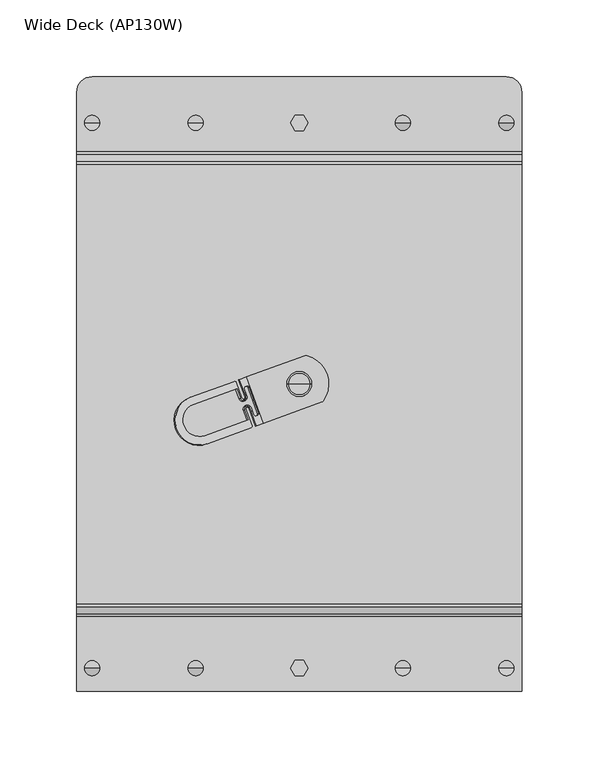
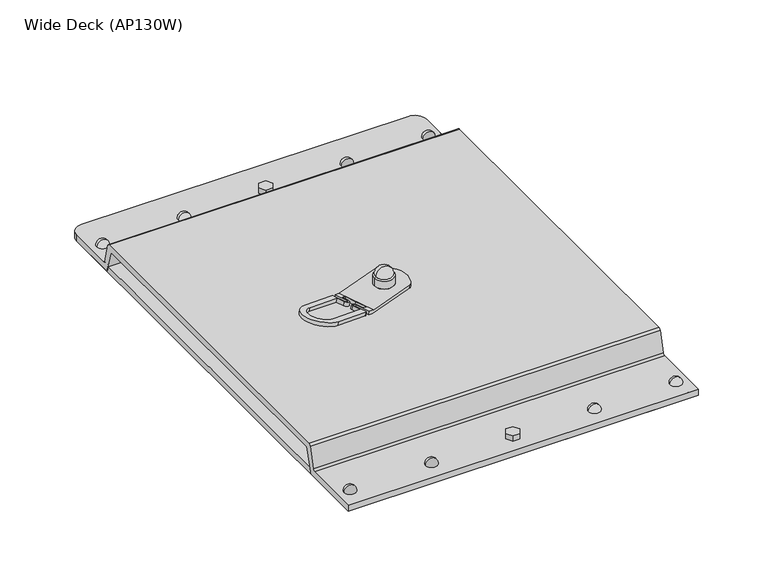
"""IFC4 building model written with IfcOpenShell, lengths in millimetres: proxy geometry, Wide Deck (AP130W)."""

import ifcopenshell
import ifcopenshell.guid

model = None  # the IFC model being written
_history = None  # IfcOwnerHistory: only IFC2X3 demands one
_inside = {}  # id of a spatial element -> (the spatial element, [elements in it])
_under = {}  # id of a project, library or spatial element -> (it, [spatial elements below it])
_declared = {}  # id of a project -> (the project, [libraries it declares])
_typed = {}  # id of a type object -> (the type object, [elements of that type])
_made_of = {}  # id of a material, layer set ... -> (it, [elements and type objects made of it])


def new_model(schema):
    """Start an empty IFC model of exactly this schema.

    Asked for "IFC4X3", IfcOpenShell would pick the latest addendum, in which some entities
    have other attributes; the version numbers below select the first issue.
    IFC2X3 requires an IfcOwnerHistory on every rooted entity: one is made here for all.
    """
    global model, _history
    if schema == "IFC4X3":
        model = ifcopenshell.file(schema_version=(4, 3, 0, 0))
    else:
        model = ifcopenshell.file(schema=schema)
    _inside.clear()
    _under.clear()
    _declared.clear()
    _typed.clear()
    _made_of.clear()
    _history = None
    if model.schema == "IFC2X3":
        org = make("IfcOrganization", Name="unknown")
        user = make(
            "IfcPersonAndOrganization",
            ThePerson=make("IfcPerson", FamilyName="unknown"),
            TheOrganization=org,
        )
        app = make(
            "IfcApplication",
            ApplicationDeveloper=org,
            Version="unknown",
            ApplicationFullName="unknown",
            ApplicationIdentifier="unknown",
        )
        _history = make(
            "IfcOwnerHistory",
            OwningUser=user,
            OwningApplication=app,
            ChangeAction="ADDED",
            CreationDate=0,
        )
    return model


def make(cls, **values):
    """One entity of the class cls with the attributes given. An attribute that is None is left unset."""
    return model.create_entity(
        cls, **{name: value for name, value in values.items() if value is not None}
    )


def rooted(cls, **values):
    """An entity with a GlobalId (a new one), such as an element, a storey or a relation."""
    return make(cls, GlobalId=ifcopenshell.guid.new(), OwnerHistory=_history, **values)


def si_unit(unit_type, name, prefix=None):
    """IfcSIUnit, for example si_unit("LENGTHUNIT", "METRE", prefix="MILLI")."""
    return make("IfcSIUnit", UnitType=unit_type, Prefix=prefix, Name=name)


def assignment(units):
    """IfcUnitAssignment: the units of a project."""
    return None if units is None else make("IfcUnitAssignment", Units=units)


def point(xyz):
    """IfcCartesianPoint."""
    return None if xyz is None else make("IfcCartesianPoint", Coordinates=xyz)


def direction(xyz):
    """IfcDirection."""
    return None if xyz is None else make("IfcDirection", DirectionRatios=xyz)


def frame(location, z_axis=None, x_axis=None):
    """IfcAxis2Placement3D, a coordinate frame: its origin and axes. An axis left out is left unset."""
    return make(
        "IfcAxis2Placement3D",
        Location=point(location),
        Axis=direction(z_axis),
        RefDirection=direction(x_axis),
    )


def frame_2d(location, x_axis=None):
    """IfcAxis2Placement2D, a coordinate frame in the plane: its origin and x axis."""
    return make(
        "IfcAxis2Placement2D", Location=point(location), RefDirection=direction(x_axis)
    )


def origin():
    """The frame at (0, 0, 0) with its axes left unset."""
    return frame((0.0, 0.0, 0.0))


def origin_with_axes():
    """The frame at (0, 0, 0) with the z axis (0, 0, 1) and the x axis (1, 0, 0) written out."""
    return frame((0.0, 0.0, 0.0), z_axis=(0.0, 0.0, 1.0), x_axis=(1.0, 0.0, 0.0))


def place(relative_to, where):
    """IfcLocalPlacement: puts the frame where relative to a parent placement (None: the world)."""
    return make(
        "IfcLocalPlacement", PlacementRelTo=relative_to, RelativePlacement=where
    )


def context(
    kind, dimensions, precision=None, world=None, true_north=None, identifier=None
):
    """IfcGeometricRepresentationContext, for example the 3D "Model" context."""
    return make(
        "IfcGeometricRepresentationContext",
        ContextIdentifier=identifier,
        ContextType=kind,
        CoordinateSpaceDimension=dimensions,
        Precision=precision,
        WorldCoordinateSystem=world,
        TrueNorth=true_north,
    )


def project(units=None, contexts=None):
    """IfcProject with its units and contexts."""
    return rooted(
        "IfcProject",
        Name="project",
        RepresentationContexts=contexts,
        UnitsInContext=assignment(units),
    )


def spatial(cls, under=None, at=None, **own):
    """A site, building, storey or space (cls), placed at a placement, below another one or the project."""
    s = rooted(cls, ObjectPlacement=at, **own)
    if under is not None:
        _under.setdefault(under.id(), (under, []))[1].append(s)
    return s


def polyline(points):
    """IfcPolyline through the points."""
    return make("IfcPolyline", Points=[point(p) for p in points])


def circle_curve(where, radius):
    """IfcCircle in the frame where."""
    return make("IfcCircle", Position=where, Radius=radius)


def ellipse_curve(where, semi_axis1, semi_axis2):
    """IfcEllipse in the frame where."""
    return make(
        "IfcEllipse", Position=where, SemiAxis1=semi_axis1, SemiAxis2=semi_axis2
    )


def trimmed(basis, trim1, trim2, sense, master):
    """IfcTrimmedCurve: the piece of a basis curve between two trims."""
    return make(
        "IfcTrimmedCurve",
        BasisCurve=basis,
        Trim1=trim1,
        Trim2=trim2,
        SenseAgreement=sense,
        MasterRepresentation=master,
    )


def segment(curve, same_sense, transition):
    """IfcCompositeCurveSegment."""
    return make(
        "IfcCompositeCurveSegment",
        Transition=transition,
        SameSense=same_sense,
        ParentCurve=curve,
    )


def composite_curve(segments, self_intersect=None):
    """IfcCompositeCurve: segments joined end to end."""
    return make("IfcCompositeCurve", Segments=segments, SelfIntersect=self_intersect)


def outline(outer, holes=None, kind="AREA"):
    """IfcArbitraryClosedProfileDef: a profile drawn as a closed curve; with holes, ...WithVoids."""
    if holes is None:
        return make("IfcArbitraryClosedProfileDef", ProfileType=kind, OuterCurve=outer)
    return make(
        "IfcArbitraryProfileDefWithVoids",
        ProfileType=kind,
        OuterCurve=outer,
        InnerCurves=holes,
    )


def extrude(swept, where, along, depth):
    """IfcExtrudedAreaSolid: the profile swept, set in the frame where, extruded along a direction by depth."""
    return make(
        "IfcExtrudedAreaSolid",
        SweptArea=swept,
        Position=where,
        ExtrudedDirection=direction(along),
        Depth=depth,
    )


def shape(context_of_items, identifier, shape_type, items):
    """IfcShapeRepresentation: the items that make up one representation, for example the "Body"."""
    return make(
        "IfcShapeRepresentation",
        ContextOfItems=context_of_items,
        RepresentationIdentifier=identifier,
        RepresentationType=shape_type,
        Items=items,
    )


def source(mapping_origin, context_of_items, identifier, shape_type, items):
    """IfcRepresentationMap: a shape defined once, which mapped items show again and again."""
    return make(
        "IfcRepresentationMap",
        MappingOrigin=mapping_origin,
        MappedRepresentation=shape(context_of_items, identifier, shape_type, items),
    )


def transform(
    local_origin,
    x_axis=None,
    y_axis=None,
    z_axis=None,
    scale=None,
    scale2=None,
    scale3=None,
    uniform=True,
):
    """IfcCartesianTransformationOperator3D, or its non-uniform kind. x_axis, y_axis, z_axis: its Axis1, 2, 3."""
    if uniform:
        return make(
            "IfcCartesianTransformationOperator3D",
            Axis1=direction(x_axis),
            Axis2=direction(y_axis),
            LocalOrigin=point(local_origin),
            Scale=scale,
            Axis3=direction(z_axis),
        )
    return make(
        "IfcCartesianTransformationOperator3DnonUniform",
        Axis1=direction(x_axis),
        Axis2=direction(y_axis),
        LocalOrigin=point(local_origin),
        Scale=scale,
        Axis3=direction(z_axis),
        Scale2=scale2,
        Scale3=scale3,
    )


def mapped(mapping_source, mapping_target):
    """IfcMappedItem: shows the shape of a source again, moved by a transform."""
    return make(
        "IfcMappedItem", MappingSource=mapping_source, MappingTarget=mapping_target
    )


def made_of(thing, what):
    """Note that an element or type object is made of a material, layer set ...; save() writes the relation."""
    if what is not None:
        _made_of.setdefault(what.id(), (what, []))[1].append(thing)
    return thing


def element(
    cls,
    number,
    at=None,
    inside=None,
    cuts=None,
    type_object=None,
    material=None,
    context=None,
    identifier="Body",
    shape_type=None,
    held_by="IfcProductDefinitionShape",
    body=None,
    shapes=None,
    **own,
):
    """One element of the class cls, such as IfcWall. Its Tag is "e" and its number.

    at: its placement. inside: the storey or other place that contains it. cuts: it is an
    opening in that element (IfcRelVoidsElement). A single representation is given by context,
    identifier, shape_type and body (its items); several are given by shapes. held_by: the class
    of the entity that holds the representations. save() writes the other relations.
    """
    e = rooted(cls, Tag="e%d" % number, ObjectPlacement=at, **own)
    if body is not None:
        shapes = [shape(context, identifier, shape_type, body)]
    if shapes is not None:
        e.Representation = make(held_by, Representations=shapes)
    if inside is not None:
        _inside.setdefault(inside.id(), (inside, []))[1].append(e)
    if cuts is not None:
        rooted(
            "IfcRelVoidsElement", RelatingBuildingElement=cuts, RelatedOpeningElement=e
        )
    if type_object is not None:
        _typed.setdefault(type_object.id(), (type_object, []))[1].append(e)
    return made_of(e, material)


def aggregate(whole, parts):
    """IfcRelAggregates: a whole, such as a stair, and the parts it consists of."""
    return rooted("IfcRelAggregates", RelatingObject=whole, RelatedObjects=parts)


def save(model, path):
    """Write the relations noted so far, then the file.

    IfcRelAggregates (storeys below a building ...), IfcRelContainedInSpatialStructure (elements
    in a storey), IfcRelDefinesByType, IfcRelAssociatesMaterial and IfcRelDeclares: one each for
    every whole, place, type object, material and project.
    """
    for whole, parts in _under.values():
        aggregate(whole, parts)
    for where, things in _inside.values():
        rooted(
            "IfcRelContainedInSpatialStructure",
            RelatedElements=things,
            RelatingStructure=where,
        )
    for kind, things in _typed.values():
        rooted("IfcRelDefinesByType", RelatedObjects=things, RelatingType=kind)
    for what, things in _made_of.values():
        rooted("IfcRelAssociatesMaterial", RelatedObjects=things, RelatingMaterial=what)
    for by, libraries in _declared.values():
        rooted("IfcRelDeclares", RelatingContext=by, RelatedDefinitions=libraries)
    model.write(path)


def plane_surface(at):
    """IfcPlane: the flat surface through the origin of the frame at, square to its z axis."""
    return make("IfcPlane", Position=at)


def cylinder_surface(at, radius):
    """IfcCylindricalSurface: all points at the distance radius from the z axis of the frame at."""
    return make("IfcCylindricalSurface", Position=at, Radius=radius)


def revolved_surface(curve, axis_point, axis_direction):
    """IfcSurfaceOfRevolution: the curve turned about the line through axis_point along axis_direction."""
    return make(
        "IfcSurfaceOfRevolution",
        SweptCurve=make("IfcArbitraryOpenProfileDef", ProfileType="CURVE", Curve=curve),
        AxisPosition=make("IfcAxis1Placement", Location=point(axis_point), Axis=direction(axis_direction)),
    )


def advanced_brep(points, edges, surfaces, faces):
    """IfcAdvancedBrep: a solid bounded by faces that lie on surfaces and meet in shared edges.

    An edge is (start, end): straight between two places in points (the first is 0);
    or (start, end, curve); or (start, end, curve, False) where it runs against its curve.
    A face is (place in surfaces, loops), or (place, loops, False) where it looks against
    its surface's normal. A loop lists edges by number (the first is 1), with a minus sign
    where the edge is run from its end to its start. The first loop is the outer one.
    """
    corners = [point(p) for p in points]
    vertices = [make("IfcVertexPoint", VertexGeometry=c) for c in corners]
    made = []
    for start, end, *more in edges:
        made.append(
            make(
                "IfcEdgeCurve",
                EdgeStart=vertices[start],
                EdgeEnd=vertices[end],
                EdgeGeometry=more[0] if more else make("IfcPolyline", Points=[corners[start], corners[end]]),
                SameSense=more[1] if len(more) > 1 else True,
            )
        )
    hull = []
    for where, loops, *sense in faces:
        bounds = []
        for j, loop in enumerate(loops):
            ring = [make("IfcOrientedEdge", EdgeElement=made[abs(k) - 1], Orientation=k > 0) for k in loop]
            bounds.append(
                make(
                    "IfcFaceOuterBound" if j == 0 else "IfcFaceBound",
                    Bound=make("IfcEdgeLoop", EdgeList=ring),
                    Orientation=True,
                )
            )
        hull.append(make("IfcAdvancedFace", Bounds=bounds, FaceSurface=surfaces[where], SameSense=sense[0] if sense else True))
    return make("IfcAdvancedBrep", Outer=make("IfcClosedShell", CfsFaces=hull))


def wide_deck_ap130w_186b7a0a(model_context):
    return source(origin(), model_context, "Body", "SolidModel", [
        advanced_brep(
        [(145.0, -143.534654, 5.0), (145.0, -192.0, 5.0), (145.0, -192.0, 0.0), (145.0, -139.698019, 0.0), (145.0, -137.7661674, 1.4823619), (145.0, -133.2015789, 18.5176381), (145.0, -131.2697272, 20.0), (145.0, 147.2697272, 20.0), (145.0, 149.2015789, 18.5176381), (145.0, 153.7661674, 1.4823619), (145.0, 155.698019, 0.0), (145.0, 198.0, 0.0), (145.0, 198.0, 5.0), (145.0, 159.534654, 5.0), (145.0, 157.6028023, 6.4823619), (145.0, 153.0382138, 23.5176381), (145.0, 151.1063622, 25.0), (145.0, -135.1063622, 25.0), (145.0, -137.0382138, 23.5176381), (145.0, -141.6028023, 6.4823619), (-145.0, -143.534654, 5.0), (-145.0, -141.6028023, 6.4823619), (-145.0, -137.0382138, 23.5176381), (-145.0, -135.1063622, 25.0), (-145.0, 151.1063622, 25.0), (-145.0, 153.0382138, 23.5176381), (-145.0, 157.6028023, 6.4823619), (-145.0, 159.534654, 5.0), (-145.0, 198.0, 5.0), (-145.0, 198.0, 0.0), (-145.0, 155.698019, 0.0), (-145.0, 153.7661674, 1.4823619), (-145.0, 149.2015789, 18.5176381), (-145.0, 147.2697272, 20.0), (-145.0, -131.2697272, 20.0), (-145.0, -133.2015789, 18.5176381), (-145.0, -137.7661674, 1.4823619), (-145.0, -139.698019, 0.0), (-145.0, -192.0, 0.0), (-145.0, -192.0, 5.0), (-135.0, 208.0, 0.0), (135.0, 208.0, 0.0), (-135.0, 208.0, 5.0), (135.0, 208.0, 5.0)],
        [
            (0, 1),
            (1, 2),
            (2, 3),
            (3, 4, circle_curve(frame((145.0, -139.698019, 2.0), z_axis=(1.0, 0.0, 0.0), x_axis=(0.0, 1.0, 0.0)), 2.0)),
            (4, 5),
            (5, 6, circle_curve(frame((145.0, -131.2697272, 18.0), z_axis=(-1.0, 0.0, 0.0), x_axis=(0.0, 1.0, 0.0)), 2.0)),
            (6, 7),
            (7, 8, circle_curve(frame((145.0, 147.2697272, 18.0), z_axis=(-1.0, 0.0, 0.0), x_axis=(0.0, 1.0, 0.0)), 2.0)),
            (8, 9),
            (9, 10, circle_curve(frame((145.0, 155.698019, 2.0), z_axis=(1.0, 0.0, 0.0), x_axis=(0.0, 1.0, 0.0)), 2.0)),
            (10, 11),
            (11, 12),
            (12, 13),
            (13, 14, circle_curve(frame((145.0, 159.534654, 7.0), z_axis=(-1.0, 0.0, 0.0), x_axis=(0.0, 1.0, 0.0)), 2.0)),
            (14, 15),
            (15, 16, circle_curve(frame((145.0, 151.1063622, 23.0), z_axis=(1.0, 0.0, 0.0), x_axis=(0.0, 1.0, 0.0)), 2.0)),
            (16, 17),
            (17, 18, circle_curve(frame((145.0, -135.1063622, 23.0), z_axis=(1.0, 0.0, 0.0), x_axis=(0.0, 1.0, 0.0)), 2.0)),
            (18, 19),
            (19, 0, circle_curve(frame((145.0, -143.534654, 7.0), z_axis=(-1.0, 0.0, 0.0), x_axis=(0.0, 1.0, 0.0)), 2.0)),
            (20, 21, circle_curve(frame((-145.0, -143.534654, 7.0), z_axis=(1.0, 0.0, 0.0), x_axis=(0.0, 1.0, 0.0)), 2.0)),
            (21, 22),
            (22, 23, circle_curve(frame((-145.0, -135.1063622, 23.0), z_axis=(-1.0, 0.0, 0.0), x_axis=(0.0, 1.0, 0.0)), 2.0)),
            (23, 24),
            (24, 25, circle_curve(frame((-145.0, 151.1063622, 23.0), z_axis=(-1.0, 0.0, 0.0), x_axis=(0.0, 1.0, 0.0)), 2.0)),
            (25, 26),
            (26, 27, circle_curve(frame((-145.0, 159.534654, 7.0), z_axis=(1.0, 0.0, 0.0), x_axis=(0.0, 1.0, 0.0)), 2.0)),
            (27, 28),
            (28, 29),
            (29, 30),
            (30, 31, circle_curve(frame((-145.0, 155.698019, 2.0), z_axis=(-1.0, 0.0, 0.0), x_axis=(0.0, 1.0, 0.0)), 2.0)),
            (31, 32),
            (32, 33, circle_curve(frame((-145.0, 147.2697272, 18.0), z_axis=(1.0, 0.0, 0.0), x_axis=(0.0, 1.0, 0.0)), 2.0)),
            (33, 34),
            (34, 35, circle_curve(frame((-145.0, -131.2697272, 18.0), z_axis=(1.0, 0.0, 0.0), x_axis=(0.0, 1.0, 0.0)), 2.0)),
            (35, 36),
            (36, 37, circle_curve(frame((-145.0, -139.698019, 2.0), z_axis=(-1.0, 0.0, 0.0), x_axis=(0.0, 1.0, 0.0)), 2.0)),
            (37, 38),
            (38, 39),
            (39, 20),
            (0, 20),
            (39, 1),
            (38, 2),
            (37, 3),
            (36, 4),
            (35, 5),
            (34, 6),
            (33, 7),
            (32, 8),
            (31, 9),
            (30, 10),
            (29, 40, circle_curve(frame((-135.0, 198.0, 0.0), z_axis=(0.0, 0.0, -1.0), x_axis=(1.0, 0.0, 0.0)), 10.0)),
            (40, 41),
            (41, 11, circle_curve(frame((135.0, 198.0, 0.0), z_axis=(0.0, 0.0, -1.0), x_axis=(1.0, 0.0, 0.0)), 10.0)),
            (40, 42),
            (42, 43),
            (43, 41),
            (27, 13),
            (12, 43, circle_curve(frame((135.0, 198.0, 5.0), z_axis=(0.0, 0.0, 1.0), x_axis=(1.0, 0.0, 0.0)), 10.0)),
            (42, 28, circle_curve(frame((-135.0, 198.0, 5.0), z_axis=(0.0, 0.0, 1.0), x_axis=(1.0, 0.0, 0.0)), 10.0)),
            (26, 14),
            (25, 15),
            (24, 16),
            (23, 17),
            (22, 18),
            (21, 19),
        ],
        [
            plane_surface(frame((145.0, -192.0, 5.0), z_axis=(1.0, 0.0, 0.0), x_axis=(0.0, -1.0, 0.0))),
            plane_surface(frame((-145.0, -192.0, 5.0), z_axis=(-1.0, 0.0, 0.0), x_axis=(0.0, 1.0, 0.0))),
            plane_surface(frame((145.0, -143.534654, 5.0), z_axis=(0.0, 0.0, 1.0), x_axis=(-1.0, 0.0, 0.0))),
            plane_surface(frame((145.0, -192.0, 5.0), z_axis=(0.0, -1.0, 0.0), x_axis=(-1.0, 0.0, 0.0))),
            plane_surface(frame((145.0, -192.0, 0.0), z_axis=(0.0, 0.0, -1.0), x_axis=(-1.0, 0.0, 0.0))),
            cylinder_surface(frame((-145.0, -139.698019, 2.0), z_axis=(1.0, 0.0, 0.0), x_axis=(0.0, 1.0, 0.0)), 2.0),
            plane_surface(frame((145.0, -137.7661674, 1.4823619), z_axis=(0.0, 0.9659258262890751, -0.2588190451024953), x_axis=(-1.0, 0.0, 0.0))),
            revolved_surface(polyline([(-145.0, -129.2697272, 18.0), (145.0, -129.2697272, 18.0)]), (-145.0, -131.2697272, 18.0), (-1.0, 0.0, 0.0)),
            plane_surface(frame((145.0, -131.2697272, 20.0), z_axis=(0.0, 0.0, -1.0), x_axis=(-1.0, 0.0, 0.0))),
            revolved_surface(polyline([(-145.0, 149.2697272, 18.0), (145.0, 149.2697272, 18.0)]), (-145.0, 147.2697272, 18.0), (-1.0, 0.0, 0.0)),
            plane_surface(frame((145.0, 149.2015789, 18.5176381), z_axis=(0.0, -0.9659258262894682, -0.25881904510102843), x_axis=(-1.0, 0.0, 0.0))),
            cylinder_surface(frame((-145.0, 155.698019, 2.0), z_axis=(1.0, 0.0, 0.0), x_axis=(0.0, 1.0, 0.0)), 2.0),
            plane_surface(frame((145.0, 155.698019, 0.0), z_axis=(0.0, 0.0, -1.0), x_axis=(-1.0, 0.0, 0.0))),
            plane_surface(frame((145.0, 208.0, 0.0), z_axis=(0.0, 1.0, 0.0), x_axis=(-1.0, 0.0, 0.0))),
            plane_surface(frame((145.0, 208.0, 5.0), z_axis=(0.0, 0.0, 1.0), x_axis=(-1.0, 0.0, 0.0))),
            revolved_surface(polyline([(-145.0, 161.534654, 7.0), (145.0, 161.534654, 7.0)]), (-145.0, 159.534654, 7.0), (-1.0, 0.0, 0.0)),
            plane_surface(frame((145.0, 157.6028023, 6.4823619), z_axis=(0.0, 0.9659258262890693, 0.2588190451025172), x_axis=(-1.0, 0.0, 0.0))),
            cylinder_surface(frame((-145.0, 151.1063622, 23.0), z_axis=(1.0, 0.0, 0.0), x_axis=(0.0, 1.0, 0.0)), 2.0),
            plane_surface(frame((145.0, 151.1063622, 25.0), z_axis=(0.0, 0.0, 1.0), x_axis=(-1.0, 0.0, 0.0))),
            cylinder_surface(frame((-145.0, -135.1063622, 23.0), z_axis=(1.0, 0.0, 0.0), x_axis=(0.0, 1.0, 0.0)), 2.0),
            plane_surface(frame((145.0, -137.0382138, 23.5176381), z_axis=(0.0, -0.9659258262890676, 0.25881904510252335), x_axis=(-1.0, 0.0, 0.0))),
            revolved_surface(polyline([(-145.0, -141.534654, 7.0), (145.0, -141.534654, 7.0)]), (-145.0, -143.534654, 7.0), (-1.0, 0.0, 0.0)),
            cylinder_surface(frame((-135.0, 198.0, 5.0), z_axis=(0.0, 0.0, 1.0), x_axis=(1.0, 0.0, 0.0)), 10.0),
            cylinder_surface(frame((135.0, 198.0, 5.0), z_axis=(0.0, 0.0, 1.0), x_axis=(1.0, 0.0, 0.0)), 10.0),
        ],
        [
            (0, [[1, 2, 3, 4, 5, 6, 7, 8, 9, 10, 11, 12, 13, 14, 15, 16, 17, 18, 19, 20]]),
            (1, [[21, 22, 23, 24, 25, 26, 27, 28, 29, 30, 31, 32, 33, 34, 35, 36, 37, 38, 39, 40]]),
            (2, [[-1, 41, -40, 42]]),
            (3, [[-2, -42, -39, 43]]),
            (4, [[-3, -43, -38, 44]]),
            (5, [[-4, -44, -37, 45]]),
            (6, [[-5, -45, -36, 46]]),
            (7, [[-6, -46, -35, 47]]),
            (8, [[-7, -47, -34, 48]]),
            (9, [[-8, -48, -33, 49]]),
            (10, [[-9, -49, -32, 50]]),
            (11, [[-10, -50, -31, 51]]),
            (12, [[-51, -30, 52, 53, 54, -11]]),
            (13, [[-53, 55, 56, 57]]),
            (14, [[58, -13, 59, -56, 60, -28]]),
            (15, [[-14, -58, -27, 61]]),
            (16, [[-15, -61, -26, 62]]),
            (17, [[-16, -62, -25, 63]]),
            (18, [[-17, -63, -24, 64]]),
            (19, [[-18, -64, -23, 65]]),
            (20, [[-19, -65, -22, 66]]),
            (21, [[-20, -66, -21, -41]]),
            (22, [[-29, -60, -55, -52]]),
            (23, [[-12, -54, -57, -59]]),
        ],
    ),
        advanced_brep(
        [(14.7843745, -3.6457721, 28.0), (15.7444666, -2.9051707, 28.0), (5.0526834, 26.4738022, 28.0), (3.8410114, 26.4240413, 28.0), (-34.2476637, 12.5608973, 28.0), (-23.3032816, -17.5085452, 28.0), (-8.0, 8.0, 28.0), (8.0, 8.0, 28.0), (14.7843745, -3.6457721, 25.0), (-23.3032816, -17.5085452, 25.0), (-34.2479262, 12.5616186, 25.0), (3.8410114, 26.4240413, 25.0), (5.0526834, 26.4738022, 25.0), (15.7444666, -2.9051707, 25.0), (-39.4781137, 10.6579861, 26.4806725), (-38.7708323, 10.9154154, 29.2896867), (-43.1105517, 9.3358868, 27.5090201), (-71.4845481, -0.9914034, 35.5417333), (-70.7618952, -0.7283792, 38.4117967), (-42.4015258, 9.5939511, 30.3249628), (-27.8261877, -19.1547484, 29.2896867), (-28.5334691, -19.4121778, 26.4806725), (-31.4568812, -20.4762128, 30.3249628), (-59.8172506, -30.7985431, 38.4117967), (-60.5399035, -31.0615672, 35.5417333), (-32.1659071, -20.7342771, 27.5090201), (-34.7738146, -0.0663005, 29.2896867), (-37.4968347, -1.0573988, 30.0661438), (-41.1518323, 8.9846246, 30.0661438), (-79.8123469, -21.0493186, 42.5529014), (-30.891228, -19.2061541, 30.0661438), (-34.7495197, -8.6055847, 30.0661438), (-32.0264996, -7.6144864, 29.2896867), (-32.8378152, 5.9418822, 28.2516076), (-29.7596339, -2.5153514, 28.2516076), (-26.6814526, -10.972585, 28.2516076), (-27.2471058, -12.2426437, 28.5104266), (-28.1646089, -12.5765875, 28.7720486), (-29.4143024, -11.9672609, 29.0308676), (-31.1188262, -7.2841203, 29.0308676), (-35.6571931, -8.9359507, 30.3249628), (-33.3702761, -15.2192036, 30.3249628), (-61.7306455, -25.5415339, 38.4117967), (-69.0517945, -5.4268423, 38.4117967), (-40.6914251, 4.895488, 30.3249628), (-38.4045081, -1.3877649, 30.3249628), (-33.8661412, 0.2640656, 29.0308676), (-35.570665, 4.9472062, 29.0308676), (-35.0050118, 6.2172649, 28.7720486), (-34.0875087, 6.5512087, 28.5104266), (-32.7337809, -7.8719157, 26.4806725), (-35.4581095, -8.8634902, 27.2519332), (-31.5998177, -19.4640596, 27.2519332), (-80.5419779, -21.3148826, 39.6551239), (-41.860422, 8.726719, 27.2519332), (-38.2054244, -1.3153044, 27.2519332), (-35.4810959, -0.3237299, 26.4806725), (-30.465166, -2.7721441, 25.4495407), (-33.5433473, 5.6850895, 25.4495407), (-34.7934769, 6.2942573, 25.7066276), (-35.7114209, 5.9601531, 25.9664986), (-36.2775102, 4.6899356, 26.2235856), (-34.5729864, 0.006795, 26.2235856), (-39.1135339, -1.6458292, 27.5090201), (-41.400451, 4.6374237, 27.5090201), (-69.7744474, -5.6898665, 35.5417333), (-62.4532984, -25.804558, 35.5417333), (-34.079302, -15.4772679, 27.5090201), (-36.366219, -9.1940151, 27.5090201), (-31.8256714, -7.5413909, 26.2235856), (-30.1211476, -12.2245316, 26.2235856), (-28.871018, -12.8336994, 25.9664986), (-27.9530741, -12.4995951, 25.7066276), (-27.3869847, -11.2293776, 25.4495407), (-8.0, 8.0, 34.5291044), (8.0, 8.0, 34.5291044), (-7.0, 8.0, 35.5291044), (7.0, 8.0, 35.5291044), (0.0, 8.0, 42.2894984)],
        [
            (0, 1, circle_curve(frame((14.1003342, -1.7663869, 28.0), z_axis=(0.0, 0.0, 1.0), x_axis=(-1.0, 0.0, 0.0)), 2.0)),
            (1, 2, circle_curve(frame((0.0, 8.0, 28.0), z_axis=(0.0, 0.0, 1.0), x_axis=(-1.0, 0.0, 0.0)), 19.15231)),
            (2, 3, circle_curve(frame((4.5250517, 24.5446561, 28.0), z_axis=(0.0, 0.0, 1.0), x_axis=(-1.0, 0.0, 0.0)), 2.0)),
            (3, 4),
            (4, 5),
            (5, 0),
            (6, 7, circle_curve(frame((0.0, 8.0, 28.0), z_axis=(0.0, 0.0, -1.0), x_axis=(-1.0, 0.0, 0.0)), 8.0)),
            (7, 6, circle_curve(frame((0.0, 8.0, 28.0), z_axis=(0.0, 0.0, -1.0), x_axis=(-1.0, 0.0, 0.0)), 8.0)),
            (8, 9),
            (9, 10),
            (10, 11),
            (11, 12, circle_curve(frame((4.5250517, 24.5446561, 25.0), z_axis=(0.0, 0.0, -1.0), x_axis=(-1.0, 0.0, 0.0)), 2.0)),
            (12, 13, circle_curve(frame((0.0, 8.0, 25.0), z_axis=(0.0, 0.0, -1.0), x_axis=(-1.0, 0.0, 0.0)), 19.15231)),
            (13, 8, circle_curve(frame((14.1003342, -1.7663869, 25.0), z_axis=(0.0, 0.0, -1.0), x_axis=(-1.0, 0.0, 0.0)), 2.0)),
            (1, 13),
            (12, 2),
            (0, 8),
            (11, 3),
            (10, 14),
            (14, 15),
            (15, 4),
            (16, 17),
            (17, 18),
            (18, 19),
            (19, 16),
            (5, 20),
            (20, 21),
            (21, 9),
            (22, 23),
            (23, 24),
            (24, 25),
            (25, 22),
            (15, 26),
            (26, 27, circle_curve(frame((-36.1353246, -0.5618497, 29.6779152), z_axis=(-0.2432103468017011, -0.08852132690137798, -0.9659258262890664), x_axis=(-0.9076733711903694, -0.3303660895493447, 0.25881904510252784)), 1.5)),
            (27, 28),
            (28, 19, circle_curve(frame((-42.0595057, 8.6542585, 30.3249628), z_axis=(0.2432103468017011, 0.08852132690137798, 0.9659258262890664), x_axis=(-0.9076733711903694, -0.3303660895493447, 0.25881904510252784)), 1.0)),
            (18, 29, circle_curve(frame((-65.2895729, -15.7634612, 38.4117967), z_axis=(0.2432103468017011, 0.08852132690137798, 0.9659258262890664), x_axis=(-0.9076733711903694, -0.3303660895493447, 0.25881904510252784)), 16.0)),
            (29, 23, circle_curve(frame((-65.2895729, -15.7634612, 38.4117967), z_axis=(0.2432103468017011, 0.08852132690137798, 0.9659258262890664), x_axis=(-0.9076733711903694, -0.3303660895493447, 0.25881904510252784)), 16.0)),
            (22, 30, circle_curve(frame((-31.7989014, -19.5365202, 30.3249628), z_axis=(0.2432103468017011, 0.08852132690137798, 0.9659258262890664), x_axis=(-0.9076733711903694, -0.3303660895493447, 0.25881904510252784)), 1.0)),
            (30, 31),
            (31, 32, circle_curve(frame((-33.3880097, -8.1100355, 29.6779152), z_axis=(-0.2432103468017011, -0.08852132690137798, -0.9659258262890664), x_axis=(-0.9076733711903694, -0.3303660895493447, 0.25881904510252784)), 1.5)),
            (32, 20),
            (33, 34),
            (34, 35),
            (35, 36, circle_curve(frame((-27.589126, -11.302951, 28.5104266), z_axis=(-0.2432103468017011, -0.08852132690137798, -0.9659258262890664), x_axis=(-0.9076733711903694, -0.3303660895493447, 0.25881904510252784)), 1.0)),
            (36, 37),
            (37, 38, circle_curve(frame((-28.5066291, -11.6368949, 28.7720486), z_axis=(-0.2432103468017011, -0.08852132690137798, -0.9659258262890664), x_axis=(-0.9076733711903694, -0.3303660895493447, 0.25881904510252784)), 1.0)),
            (38, 39),
            (39, 40, circle_curve(frame((-33.3880097, -8.1100355, 29.6779152), z_axis=(0.2432103468017011, 0.08852132690137798, 0.9659258262890664), x_axis=(-0.9076733711903694, -0.3303660895493447, 0.25881904510252784)), 2.5)),
            (40, 41),
            (41, 42),
            (42, 43, circle_curve(frame((-65.39122, -15.4841881, 38.4117967), z_axis=(-0.2432103468017011, -0.08852132690137798, -0.9659258262890664), x_axis=(-0.9076733711903694, -0.3303660895493447, 0.25881904510252784)), 10.7028038)),
            (43, 44),
            (44, 45),
            (45, 46, circle_curve(frame((-36.1353246, -0.5618497, 29.6779152), z_axis=(0.2432103468017011, 0.08852132690137798, 0.9659258262890664), x_axis=(-0.9076733711903694, -0.3303660895493447, 0.25881904510252784)), 2.5)),
            (46, 47),
            (47, 48, circle_curve(frame((-34.6629916, 5.2775723, 28.7720486), z_axis=(-0.2432103468017011, -0.08852132690137798, -0.9659258262890664), x_axis=(-0.9076733711903694, -0.3303660895493447, 0.25881904510252784)), 1.0)),
            (48, 49),
            (49, 33, circle_curve(frame((-33.7454886, 5.6115161, 28.5104266), z_axis=(-0.2432103468017011, -0.08852132690137798, -0.9659258262890664), x_axis=(-0.9076733711903694, -0.3303660895493447, 0.25881904510252784)), 1.0)),
            (21, 50),
            (50, 51, ellipse_curve(frame((-34.0959452, -8.367703, 26.8663028), z_axis=(0.241582287254047, 0.08792876168641896, 0.9663883957050583), x_axis=(0.9081080442571371, 0.3305242976073163, -0.25708650031977087)), 1.5000024, 1.5)),
            (51, 52),
            (52, 25, ellipse_curve(frame((-32.5079272, -19.7945845, 27.5090201), z_axis=(-0.241582287254047, -0.08792876168641896, -0.9663883957050583), x_axis=(-0.9081080442571371, -0.3305242976073163, 0.25708650031977087)), 1.0000016, 1.0)),
            (24, 53, ellipse_curve(frame((-66.0122258, -16.0264853, 35.5417333), z_axis=(-0.241582287254047, -0.08792876168641896, -0.9663883957050583), x_axis=(-0.9081080442571371, -0.3305242976073163, 0.25708650031977087)), 16.0000257, 16.0)),
            (53, 17, ellipse_curve(frame((-66.0122258, -16.0264853, 35.5417333), z_axis=(-0.241582287254047, -0.08792876168641896, -0.9663883957050583), x_axis=(-0.9081080442571371, -0.3305242976073163, 0.25708650031977087)), 16.0000257, 16.0)),
            (16, 54, ellipse_curve(frame((-42.7685315, 8.3961941, 27.5090201), z_axis=(-0.241582287254047, -0.08792876168641896, -0.9663883957050583), x_axis=(-0.9081080442571371, -0.3305242976073163, 0.25708650031977087)), 1.0000016, 1.0)),
            (54, 55),
            (55, 56, ellipse_curve(frame((-36.8432602, -0.8195171, 26.8663028), z_axis=(0.241582287254047, 0.08792876168641896, 0.9663883957050583), x_axis=(0.9081080442571371, 0.3305242976073163, -0.25708650031977087)), 1.5000024, 1.5)),
            (56, 14),
            (57, 58),
            (58, 59, ellipse_curve(frame((-34.4514568, 5.3545647, 25.7066276), z_axis=(0.241582287254047, 0.08792876168641896, 0.9663883957050583), x_axis=(0.9081080442571371, 0.3305242976073163, -0.25708650031977087)), 1.0000016, 1.0)),
            (59, 60),
            (60, 61, ellipse_curve(frame((-35.3694007, 5.0204604, 25.9664986), z_axis=(0.241582287254047, 0.08792876168641896, 0.9663883957050583), x_axis=(0.9081080442571371, 0.3305242976073163, -0.25708650031977087)), 1.0000016, 1.0)),
            (61, 62),
            (62, 63, ellipse_curve(frame((-36.8432602, -0.8195171, 26.8663028), z_axis=(-0.241582287254047, -0.08792876168641896, -0.9663883957050583), x_axis=(-0.9081080442571371, -0.3305242976073163, 0.25708650031977087)), 2.500004, 2.5)),
            (63, 64),
            (64, 65),
            (65, 66, ellipse_curve(frame((-66.1138729, -15.7472123, 35.5417333), z_axis=(0.241582287254047, 0.08792876168641896, 0.9663883957050583), x_axis=(0.9081080442571371, 0.3305242976073163, -0.25708650031977087)), 10.702821, 10.7028038)),
            (66, 67),
            (67, 68),
            (68, 69, ellipse_curve(frame((-34.0959452, -8.367703, 26.8663028), z_axis=(-0.241582287254047, -0.08792876168641896, -0.9663883957050583), x_axis=(-0.9081080442571371, -0.3305242976073163, 0.25708650031977087)), 2.500004, 2.5)),
            (69, 70),
            (70, 71, ellipse_curve(frame((-29.2130381, -11.8940067, 25.9664986), z_axis=(0.241582287254047, 0.08792876168641896, 0.9663883957050583), x_axis=(0.9081080442571371, 0.3305242976073163, -0.25708650031977087)), 1.0000016, 1.0)),
            (71, 72),
            (72, 73, ellipse_curve(frame((-28.2950942, -11.5599025, 25.7066276), z_axis=(0.241582287254047, 0.08792876168641896, 0.9663883957050583), x_axis=(0.9081080442571371, 0.3305242976073163, -0.25708650031977087)), 1.0000016, 1.0)),
            (73, 57),
            (57, 34),
            (33, 58),
            (59, 49),
            (48, 60),
            (61, 47),
            (46, 62),
            (45, 63),
            (44, 64),
            (43, 65),
            (67, 41),
            (40, 68),
            (39, 69),
            (38, 70),
            (71, 37),
            (36, 72),
            (73, 35),
            (54, 28),
            (27, 55),
            (26, 56),
            (32, 50),
            (31, 51),
            (30, 52),
            (66, 42),
            (74, 75, circle_curve(frame((0.0, 8.0, 34.5291044), z_axis=(0.0, 0.0, -1.0), x_axis=(-1.0, 0.0, 0.0)), 8.0)),
            (75, 7),
            (6, 74),
            (75, 74, circle_curve(frame((0.0, 8.0, 34.5291044), z_axis=(0.0, 0.0, -1.0), x_axis=(-1.0, 0.0, 0.0)), 8.0)),
            (74, 76, circle_curve(frame((-7.0, 8.0, 34.5291044), z_axis=(0.0, 1.0, 0.0), x_axis=(1.0, 0.0, 0.0)), 1.0)),
            (76, 77, circle_curve(frame((0.0, 8.0, 35.5291044), z_axis=(0.0, 0.0, -1.0), x_axis=(-1.0, 0.0, 0.0)), 7.0)),
            (77, 75, circle_curve(frame((7.0, 8.0, 34.5291044), z_axis=(0.0, 1.0, 0.0), x_axis=(-1.0, 0.0, 0.0)), 1.0)),
            (77, 76, circle_curve(frame((0.0, 8.0, 35.5291044), z_axis=(0.0, 0.0, -1.0), x_axis=(-1.0, 0.0, 0.0)), 7.0)),
            (76, 78, circle_curve(frame((-0.2355052, 8.0, 35.5291044), z_axis=(0.0, 1.0, 0.0), x_axis=(1.0, 0.0, 0.0)), 6.7644948)),
            (78, 77, circle_curve(frame((0.2355052, 8.0, 35.5291044), z_axis=(0.0, 1.0, 0.0), x_axis=(-1.0, 0.0, 0.0)), 6.7644948)),
        ],
        [
            plane_surface(frame((12.1003342, -1.7663869, 28.0), z_axis=(0.0, 0.0, 1.0), x_axis=(0.0, -1.0, 0.0))),
            plane_surface(frame((12.1003342, -1.7663869, 25.0), z_axis=(0.0, 0.0, -1.0), x_axis=(0.0, 1.0, 0.0))),
            cylinder_surface(frame((0.0, 8.0, 25.0), z_axis=(0.0, 0.0, 1.0), x_axis=(-1.0, 0.0, 0.0)), 19.15231),
            cylinder_surface(frame((14.1003342, -1.7663869, 25.0), z_axis=(0.0, 0.0, 1.0), x_axis=(-1.0, 0.0, 0.0)), 2.0),
            cylinder_surface(frame((4.5250517, 24.5446561, 25.0), z_axis=(0.0, 0.0, 1.0), x_axis=(-1.0, 0.0, 0.0)), 2.0),
            plane_surface(frame((-34.2479262, 12.5616186, 28.0), z_axis=(-0.34202014332566183, 0.939692620785911, 0.0), x_axis=(0.0, 0.0, -1.0))),
            plane_surface(frame((-23.3032816, -17.5085452, 28.0), z_axis=(0.34202014332566183, -0.939692620785911, 0.0), x_axis=(0.0, 0.0, 1.0))),
            plane_surface(frame((-23.3032816, -17.5085452, 28.0), z_axis=(0.24321034680170112, 0.08852132690137798, 0.9659258262890665), x_axis=(-0.3420201433256618, 0.939692620785911, 0.0))),
            plane_surface(frame((-75.0696556, -36.3499645, 39.6551239), z_axis=(-0.241582287254047, -0.08792876168641896, -0.9663883957050583), x_axis=(-0.34202014332566166, 0.9396926207859111, 0.0))),
            plane_surface(frame((-28.8097871, -2.1696354, 32.0239864), z_axis=(-0.9076733711903692, -0.33036608954934527, 0.25881904510252796), x_axis=(-0.24321034680170123, -0.08852132690137797, -0.9659258262890664))),
            plane_surface(frame((-33.1376619, 6.8969247, 32.2828054), z_axis=(0.3420201433256471, -0.9396926207859164, 0.0), x_axis=(-0.24321034680170123, -0.08852132690137797, -0.9659258262890664))),
            plane_surface(frame((-34.6208182, 5.2929222, 32.8032464), z_axis=(0.9076733711903667, 0.3303660895493522, -0.25881904510252796), x_axis=(-0.24321034680170123, -0.08852132690137797, -0.9659258262890664))),
            cylinder_surface(frame((-38.2377304, -1.3270628, 21.3280732), z_axis=(-0.2432103468017011, -0.08852132690137798, -0.9659258262890664), x_axis=(-0.9076733711903694, -0.3303660895493447, 0.25881904510252784)), 2.5),
            plane_surface(frame((-37.4546613, -1.0420489, 34.0973416), z_axis=(-0.9076733711903692, -0.3303660895493453, 0.258819045102528), x_axis=(-0.24321034680170123, -0.08852132690137797, -0.9659258262890664))),
            plane_surface(frame((-39.7415783, 5.2412039, 34.0973416), z_axis=(0.3420201433256614, -0.9396926207859113, 0.0), x_axis=(-0.24321034680170123, -0.08852132690137797, -0.9659258262890664))),
            plane_surface(frame((-32.4204293, -14.8734876, 34.0973416), z_axis=(-0.9076733711903738, -0.3303660895493328, 0.25881904510252796), x_axis=(-0.24321034680170123, -0.0885213269013778, -0.9659258262890664))),
            cylinder_surface(frame((-35.4904154, -8.8752486, 21.3280732), z_axis=(-0.2432103468017011, -0.08852132690137798, -0.9659258262890664), x_axis=(-0.9076733711903694, -0.3303660895493447, 0.25881904510252784)), 2.5),
            plane_surface(frame((-30.1689794, -6.9384043, 32.8032464), z_axis=(0.9076733711903776, 0.3303660895493221, -0.25881904510252784), x_axis=(-0.24321034680170114, -0.08852132690137778, -0.9659258262890664))),
            plane_surface(frame((-27.2147621, -12.2308715, 32.5444274), z_axis=(-0.3420201433256593, 0.939692620785912, 0.0), x_axis=(-0.2432103468017012, -0.08852132690137814, -0.9659258262890663))),
            plane_surface(frame((-25.7316058, -10.626869, 32.0239864), z_axis=(-0.9076733711903692, -0.33036608954934477, 0.258819045102528), x_axis=(-0.2432103468017012, -0.08852132690137814, -0.9659258262890663))),
            plane_surface(frame((-40.2019855, 9.3303405, 33.8385226), z_axis=(0.9076733711903712, 0.3303660895493399, -0.25881904510252796), x_axis=(-0.24321034680170123, -0.08852132690137797, -0.9659258262890664))),
            revolved_surface(polyline([(-37.49683464283709, -1.057398829247192, 30.06614382305102), (-38.20542440394458, -1.315304410596115, 27.251933163437172)]), (-36.1353246, -0.5618497, 29.6779152), (0.2432103468017011, 0.08852132690137798, 0.9659258262890664)),
            plane_surface(frame((-33.8239678, 0.2794154, 33.0620655), z_axis=(-0.9076733711903693, -0.3303660895493448, 0.25881904510252796), x_axis=(-0.24321034680170123, -0.08852132690137797, -0.9659258262890664))),
            plane_surface(frame((-26.8763409, -18.8090325, 33.0620655), z_axis=(-0.9076733711903691, -0.330366089549345, 0.258819045102528), x_axis=(-0.2432103468017012, -0.08852132690137814, -0.9659258262890663))),
            revolved_surface(polyline([(-34.74951973907489, -8.605584627877866, 30.066143837992836), (-35.45810950018239, -8.863490209226788, 27.251933178378984)]), (-33.3880097, -8.1100355, 29.6779152), (0.2432103468017011, 0.08852132690137798, 0.9659258262890664)),
            plane_surface(frame((-33.7996729, -8.2598687, 33.8385226), z_axis=(0.9076733711903725, 0.3303660895493359, -0.25881904510252796), x_axis=(-0.24321034680170123, -0.08852132690137797, -0.9659258262890664))),
            cylinder_surface(frame((-42.0595057, 8.6542585, 30.3249628), z_axis=(-0.2432103468017011, -0.08852132690137798, -0.9659258262890664), x_axis=(-0.9076733711903694, -0.3303660895493447, 0.25881904510252784)), 1.0),
            cylinder_surface(frame((-31.7989014, -19.5365202, 30.3249628), z_axis=(-0.2432103468017011, -0.08852132690137798, -0.9659258262890664), x_axis=(-0.9076733711903694, -0.3303660895493447, 0.25881904510252784)), 1.0),
            revolved_surface(polyline([(-34.65316195315972, 5.281150012164863, 28.769245693719736), (-35.359566308488425, 5.024039853469212, 25.96371451633356)]), (-35.8478943, 4.846303, 20.1605846), (0.2432103468017011, 0.08852132690137798, 0.9659258262890664)),
            revolved_surface(polyline([(-35.57066503627702, 4.947206218309661, 29.030867660770458), (-36.27751026477497, 4.689935594903319, 26.223585526708757)]), (-36.7653974, 4.5123592, 20.4222065), (0.2432103468017011, 0.08852132690137798, 0.9659258262890664)),
            revolved_surface(polyline([(-29.414302438392284, -11.967260982460232, 29.030867652369558), (-30.121147662622043, -12.224531604313079, 26.22358553525926)]), (-30.6090348, -12.402108, 20.4222065), (0.2432103468017011, 0.08852132690137798, 0.9659258262890664)),
            revolved_surface(polyline([(-28.496799353159716, -11.633317187835138, 28.769245693719736), (-29.20320370848842, -11.890427346530789, 25.96371451633356)]), (-29.6915317, -12.0681642, 20.1605846), (0.2432103468017011, 0.08852132690137798, 0.9659258262890664)),
            cylinder_surface(frame((-65.2895729, -15.7634612, 38.4117967), z_axis=(-0.2432103468017011, -0.08852132690137798, -0.9659258262890664), x_axis=(-0.9076733711903694, -0.3303660895493447, 0.25881904510252784)), 16.0),
            plane_surface(frame((-60.7807987, -25.1958179, 42.1841755), z_axis=(-0.34202014332566194, 0.9396926207859111, 0.0), x_axis=(-0.2432103468017006, -0.08852132690137816, -0.9659258262890666))),
            revolved_surface(polyline([(-75.10586997692741, -19.020031532764765, 41.18188615323749), (-75.83319074096147, -19.284754641636912, 38.29328408833602)]), (-67.4936257, -16.2494012, 30.0619546), (0.2432103468017011, 0.08852132690137798, 0.9659258262890664)),
            cylinder_surface(frame((0.0, 8.0, 50.0), z_axis=(0.0, 0.0, -1.0), x_axis=(-1.0, 0.0, 0.0)), 8.0),
            revolved_surface(trimmed(ellipse_curve(frame((-7.0, 8.0, 34.5291044), z_axis=(0.0, -1.0, 0.0), x_axis=(1.0, 0.0, 0.0)), 1.0, 1.0), [point((-7.0, 8.0, 35.5291044))], [point((-8.0, 8.0, 34.5291044))], True, "CARTESIAN"), (0.0, 8.0, 50.0), (0.0, 0.0, -1.0)),
            revolved_surface(trimmed(ellipse_curve(frame((-0.2355052, 8.0, 35.5291044), z_axis=(0.0, -1.0, 0.0), x_axis=(1.0, 0.0, 0.0)), 6.7644948, 6.7644948), [point((0.0, 8.0, 42.2894984))], [point((-7.0, 8.0, 35.5291044))], True, "CARTESIAN"), (0.0, 8.0, 50.0), (0.0, 0.0, -1.0)),
        ],
        [
            (0, [[1, 2, 3, 4, 5, 6], [7, 8]]),
            (1, [[9, 10, 11, 12, 13, 14]]),
            (2, [[-2, 15, -13, 16]]),
            (3, [[-1, 17, -14, -15]]),
            (4, [[-3, -16, -12, 18]]),
            (5, [[19, 20, 21, -4, -18, -11]]),
            (5, [[22, 23, 24, 25]]),
            (6, [[26, 27, 28, -9, -17, -6]]),
            (6, [[29, 30, 31, 32]]),
            (7, [[-21, 33, 34, 35, 36, -24, 37, 38, -29, 39, 40, 41, 42, -26, -5], [43, 44, 45, 46, 47, 48, 49, 50, 51, 52, 53, 54, 55, 56, 57, 58, 59]]),
            (8, [[-19, -10, -28, 60, 61, 62, 63, -31, 64, 65, -22, 66, 67, 68, 69], [70, 71, 72, 73, 74, 75, 76, 77, 78, 79, 80, 81, 82, 83, 84, 85, 86]]),
            (9, [[87, -43, 88, -70]]),
            (10, [[89, -58, 90, -72]]),
            (11, [[91, -56, 92, -74]]),
            (12, [[-92, -55, 93, -75]]),
            (13, [[-93, -54, 94, -76]]),
            (14, [[-94, -53, 95, -77]]),
            (15, [[96, -50, 97, -80]]),
            (16, [[-97, -49, 98, -81]]),
            (17, [[-98, -48, 99, -82]]),
            (18, [[100, -46, 101, -84]]),
            (19, [[-87, -86, 102, -44]]),
            (20, [[103, -35, 104, -67]]),
            (21, [[-104, -34, 105, -68]]),
            (22, [[-105, -33, -20, -69]]),
            (23, [[106, -60, -27, -42]]),
            (24, [[-106, -41, 107, -61]]),
            (25, [[-107, -40, 108, -62]]),
            (26, [[-103, -66, -25, -36]]),
            (27, [[-108, -39, -32, -63]]),
            (28, [[-89, -71, -88, -59]]),
            (29, [[-91, -73, -90, -57]]),
            (30, [[-100, -83, -99, -47]]),
            (31, [[-102, -85, -101, -45]]),
            (32, [[-23, -65, -64, -30, -38, -37]]),
            (33, [[-96, -79, 109, -51]]),
            (34, [[-109, -78, -95, -52]]),
            (35, [[110, 111, -7, 112]]),
            (35, [[113, -112, -8, -111]]),
            (36, [[-110, 114, 115, 116]]),
            (36, [[-113, -116, 117, -114]]),
            (37, [[-115, 118, 119]]),
            (37, [[-117, -119, -118]]),
        ],
    ),
        extrude(outline(composite_curve([segment(trimmed(circle_curve(frame_2d((135.0, 198.0)), 10.0), [point((135.0, 208.0))], [point((145.0, 198.0))], False, "CARTESIAN"), True, "CONTINUOUS"), segment(polyline([(145.0, 198.0), (145.0, -182.0)]), True, "CONTINUOUS"), segment(trimmed(circle_curve(frame_2d((135.0, -182.0)), 10.0), [point((145.0, -182.0))], [point((135.0, -192.0))], False, "CARTESIAN"), True, "CONTINUOUS"), segment(polyline([(135.0, -192.0), (-135.0, -192.0)]), True, "CONTINUOUS"), segment(trimmed(circle_curve(frame_2d((-135.0, -182.0)), 10.0), [point((-135.0, -192.0))], [point((-145.0, -182.0))], False, "CARTESIAN"), True, "CONTINUOUS"), segment(polyline([(-145.0, -182.0), (-145.0, 198.0)]), True, "CONTINUOUS"), segment(trimmed(circle_curve(frame_2d((-135.0, 198.0)), 10.0), [point((-145.0, 198.0))], [point((-135.0, 208.0))], False, "CARTESIAN"), True, "CONTINUOUS"), segment(polyline([(-135.0, 208.0), (135.0, 208.0)]), True, "CONTINUOUS")], self_intersect=False)), origin_with_axes(), (0.0, 0.0, 1.0), 5.0),
        extrude(outline(polyline([(5.7735027, 178.0), (2.8867513, 173.0), (-2.8867513, 173.0), (-5.7735027, 178.0), (-2.8867513, 183.0), (2.8867513, 183.0), (5.7735027, 178.0)])), frame((0.0, 0.0, 5.0), z_axis=(0.0, 0.0, 1.0), x_axis=(1.0, 0.0, 0.0)), (0.0, 0.0, 1.0), 5.0),
        extrude(outline(polyline([(5.7735027, -177.0), (2.8867513, -182.0), (-2.8867513, -182.0), (-5.7735027, -177.0), (-2.8867513, -172.0), (2.8867513, -172.0), (5.7735027, -177.0)])), frame((0.0, 0.0, 5.0), z_axis=(0.0, 0.0, 1.0), x_axis=(1.0, 0.0, 0.0)), (0.0, 0.0, 1.0), 5.0),
        advanced_brep(
        [(62.5001481, -177.0, 5.0), (72.4998519, -177.0, 5.0), (67.5, -177.0, 10.0384785), (67.5, -177.0, 5.0)],
        [
            (0, 1, circle_curve(frame((67.5, -177.0, 5.0), z_axis=(0.0, 0.0, 1.0), x_axis=(1.0, 0.0, 0.0)), 4.9998519)),
            (1, 2, circle_curve(frame((67.5, -177.0, 5.0384785), z_axis=(0.0, -1.0, 0.0), x_axis=(-1.0, 0.0, 0.0)), 5.0)),
            (2, 0, circle_curve(frame((67.5, -177.0, 5.0384785), z_axis=(0.0, -1.0, 0.0), x_axis=(1.0, 0.0, 0.0)), 5.0)),
            (1, 0, circle_curve(frame((67.5, -177.0, 5.0), z_axis=(0.0, 0.0, 1.0), x_axis=(1.0, 0.0, 0.0)), 4.9998519)),
            (3, 1),
            (0, 3),
        ],
        [
            revolved_surface(trimmed(ellipse_curve(frame((67.5, -177.0, 5.0384785), z_axis=(0.0, 1.0, 0.0), x_axis=(-1.0, 0.0, 0.0)), 5.0, 5.0), [point((67.5, -177.0, 10.0384785))], [point((72.4998519, -177.0, 5.0))], True, "CARTESIAN"), (67.5, -177.0, 500.0), (0.0, 0.0, -1.0)),
            plane_surface(frame((67.5, -177.0, 5.0), z_axis=(0.0, 0.0, -1.0), x_axis=(1.0, 0.0, 0.0))),
        ],
        [
            (0, [[1, 2, 3]]),
            (0, [[4, -3, -2]]),
            (1, [[5, -1, 6]]),
            (1, [[-6, -4, -5]]),
        ],
    ),
        advanced_brep(
        [(-67.5, -177.0, 10.0384785), (-72.4998519, -177.0, 5.0), (-62.5001481, -177.0, 5.0), (-67.5, -177.0, 5.0)],
        [
            (0, 1, circle_curve(frame((-67.5, -177.0, 5.0384785), z_axis=(0.0, -1.0, 0.0), x_axis=(-1.0, 0.0, 0.0)), 5.0)),
            (1, 2, circle_curve(frame((-67.5, -177.0, 5.0), z_axis=(0.0, 0.0, 1.0), x_axis=(-1.0, 0.0, 0.0)), 4.9998519)),
            (2, 0, circle_curve(frame((-67.5, -177.0, 5.0384785), z_axis=(0.0, -1.0, 0.0), x_axis=(1.0, 0.0, 0.0)), 5.0)),
            (2, 1, circle_curve(frame((-67.5, -177.0, 5.0), z_axis=(0.0, 0.0, 1.0), x_axis=(-1.0, 0.0, 0.0)), 4.9998519)),
            (1, 3),
            (3, 2),
        ],
        [
            revolved_surface(trimmed(ellipse_curve(frame((-67.5, -177.0, 5.0384785), z_axis=(0.0, 1.0, 0.0), x_axis=(-1.0, 0.0, 0.0)), 5.0, 5.0), [point((-72.4998519, -177.0, 5.0))], [point((-67.5, -177.0, 10.0384785))], True, "CARTESIAN"), (-67.5, -177.0, 500.0), (0.0, 0.0, 1.0)),
            plane_surface(frame((-67.5, -177.0, 5.0), z_axis=(0.0, 0.0, -1.0), x_axis=(-1.0, 0.0, 0.0))),
        ],
        [
            (0, [[1, 2, 3]]),
            (0, [[-3, 4, -1]]),
            (1, [[-2, 5, 6]]),
            (1, [[-4, -6, -5]]),
        ],
    ),
        advanced_brep(
        [(130.0001481, -177.0, 5.0), (139.9998519, -177.0, 5.0), (135.0, -177.0, 10.0384785), (135.0, -177.0, 5.0)],
        [
            (0, 1, circle_curve(frame((135.0, -177.0, 5.0), z_axis=(0.0, 0.0, 1.0), x_axis=(1.0, 0.0, 0.0)), 4.9998519)),
            (1, 2, circle_curve(frame((135.0, -177.0, 5.0384785), z_axis=(0.0, -1.0, 0.0), x_axis=(-1.0, 0.0, 0.0)), 5.0)),
            (2, 0, circle_curve(frame((135.0, -177.0, 5.0384785), z_axis=(0.0, -1.0, 0.0), x_axis=(1.0, 0.0, 0.0)), 5.0)),
            (1, 0, circle_curve(frame((135.0, -177.0, 5.0), z_axis=(0.0, 0.0, 1.0), x_axis=(1.0, 0.0, 0.0)), 4.9998519)),
            (3, 1),
            (0, 3),
        ],
        [
            revolved_surface(trimmed(ellipse_curve(frame((135.0, -177.0, 5.0384785), z_axis=(0.0, 1.0, 0.0), x_axis=(-1.0, 0.0, 0.0)), 5.0, 5.0), [point((135.0, -177.0, 10.0384785))], [point((139.9998519, -177.0, 5.0))], True, "CARTESIAN"), (135.0, -177.0, 0.0), (0.0, 0.0, -1.0)),
            plane_surface(frame((135.0, -177.0, 5.0), z_axis=(0.0, 0.0, -1.0), x_axis=(1.0, 0.0, 0.0))),
        ],
        [
            (0, [[1, 2, 3]]),
            (0, [[4, -3, -2]]),
            (1, [[5, -1, 6]]),
            (1, [[-6, -4, -5]]),
        ],
    ),
        advanced_brep(
        [(-135.0, -177.0, 10.0384785), (-139.9998519, -177.0, 5.0), (-130.0001481, -177.0, 5.0), (-135.0, -177.0, 5.0)],
        [
            (0, 1, circle_curve(frame((-135.0, -177.0, 5.0384785), z_axis=(0.0, -1.0, 0.0), x_axis=(-1.0, 0.0, 0.0)), 5.0)),
            (1, 2, circle_curve(frame((-135.0, -177.0, 5.0), z_axis=(0.0, 0.0, 1.0), x_axis=(-1.0, 0.0, 0.0)), 4.9998519)),
            (2, 0, circle_curve(frame((-135.0, -177.0, 5.0384785), z_axis=(0.0, -1.0, 0.0), x_axis=(1.0, 0.0, 0.0)), 5.0)),
            (2, 1, circle_curve(frame((-135.0, -177.0, 5.0), z_axis=(0.0, 0.0, 1.0), x_axis=(-1.0, 0.0, 0.0)), 4.9998519)),
            (1, 3),
            (3, 2),
        ],
        [
            revolved_surface(trimmed(ellipse_curve(frame((-135.0, -177.0, 5.0384785), z_axis=(0.0, 1.0, 0.0), x_axis=(-1.0, 0.0, 0.0)), 5.0, 5.0), [point((-139.9998519, -177.0, 5.0))], [point((-135.0, -177.0, 10.0384785))], True, "CARTESIAN"), (-135.0, -177.0, 0.0), (0.0, 0.0, 1.0)),
            plane_surface(frame((-135.0, -177.0, 5.0), z_axis=(0.0, 0.0, -1.0), x_axis=(-1.0, 0.0, 0.0))),
        ],
        [
            (0, [[1, 2, 3]]),
            (0, [[-3, 4, -1]]),
            (1, [[-2, 5, 6]]),
            (1, [[-4, -6, -5]]),
        ],
    ),
        advanced_brep(
        [(67.5, 178.0, 10.0384785), (72.4998519, 178.0, 5.0), (62.5001481, 178.0, 5.0), (67.5, 178.0, 5.0)],
        [
            (0, 1, circle_curve(frame((67.5, 178.0, 5.0384785), z_axis=(0.0, 1.0, 0.0), x_axis=(1.0, 0.0, 0.0)), 5.0)),
            (1, 2, circle_curve(frame((67.5, 178.0, 5.0), z_axis=(0.0, 0.0, 1.0), x_axis=(1.0, 0.0, 0.0)), 4.9998519)),
            (2, 0, circle_curve(frame((67.5, 178.0, 5.0384785), z_axis=(0.0, 1.0, 0.0), x_axis=(-1.0, 0.0, 0.0)), 5.0)),
            (2, 1, circle_curve(frame((67.5, 178.0, 5.0), z_axis=(0.0, 0.0, 1.0), x_axis=(1.0, 0.0, 0.0)), 4.9998519)),
            (1, 3),
            (3, 2),
        ],
        [
            revolved_surface(trimmed(ellipse_curve(frame((67.5, 178.0, 5.0384785), z_axis=(0.0, -1.0, 0.0), x_axis=(1.0, 0.0, 0.0)), 5.0, 5.0), [point((72.4998519, 178.0, 5.0))], [point((67.5, 178.0, 10.0384785))], True, "CARTESIAN"), (67.5, 178.0, 0.0), (0.0, 0.0, 1.0)),
            plane_surface(frame((67.5, 178.0, 5.0), z_axis=(0.0, 0.0, -1.0), x_axis=(1.0, 0.0, 0.0))),
        ],
        [
            (0, [[1, 2, 3]]),
            (0, [[-3, 4, -1]]),
            (1, [[-2, 5, 6]]),
            (1, [[-4, -6, -5]]),
        ],
    ),
        advanced_brep(
        [(-62.5001481, 178.0, 5.0), (-72.4998519, 178.0, 5.0), (-67.5, 178.0, 10.0384785), (-67.5, 178.0, 5.0)],
        [
            (0, 1, circle_curve(frame((-67.5, 178.0, 5.0), z_axis=(0.0, 0.0, 1.0), x_axis=(-1.0, 0.0, 0.0)), 4.9998519)),
            (1, 2, circle_curve(frame((-67.5, 178.0, 5.0384785), z_axis=(0.0, 1.0, 0.0), x_axis=(-1.0, 0.0, 0.0)), 5.0)),
            (2, 0, circle_curve(frame((-67.5, 178.0, 5.0384785), z_axis=(0.0, 1.0, 0.0), x_axis=(1.0, 0.0, 0.0)), 5.0)),
            (1, 0, circle_curve(frame((-67.5, 178.0, 5.0), z_axis=(0.0, 0.0, 1.0), x_axis=(-1.0, 0.0, 0.0)), 4.9998519)),
            (3, 1),
            (0, 3),
        ],
        [
            revolved_surface(trimmed(ellipse_curve(frame((-67.5, 178.0, 5.0384785), z_axis=(0.0, -1.0, 0.0), x_axis=(-1.0, 0.0, 0.0)), 5.0, 5.0), [point((-67.5, 178.0, 10.0384785))], [point((-72.4998519, 178.0, 5.0))], True, "CARTESIAN"), (-67.5, 178.0, 0.0), (0.0, 0.0, -1.0)),
            plane_surface(frame((-67.5, 178.0, 5.0), z_axis=(0.0, 0.0, -1.0), x_axis=(-1.0, 0.0, 0.0))),
        ],
        [
            (0, [[1, 2, 3]]),
            (0, [[4, -3, -2]]),
            (1, [[5, -1, 6]]),
            (1, [[-6, -4, -5]]),
        ],
    ),
        advanced_brep(
        [(135.0, 178.0, 10.0384785), (139.9998519, 178.0, 5.0), (130.0001481, 178.0, 5.0), (135.0, 178.0, 5.0)],
        [
            (0, 1, circle_curve(frame((135.0, 178.0, 5.0384785), z_axis=(0.0, 1.0, 0.0), x_axis=(1.0, 0.0, 0.0)), 5.0)),
            (1, 2, circle_curve(frame((135.0, 178.0, 5.0), z_axis=(0.0, 0.0, 1.0), x_axis=(1.0, 0.0, 0.0)), 4.9998519)),
            (2, 0, circle_curve(frame((135.0, 178.0, 5.0384785), z_axis=(0.0, 1.0, 0.0), x_axis=(-1.0, 0.0, 0.0)), 5.0)),
            (2, 1, circle_curve(frame((135.0, 178.0, 5.0), z_axis=(0.0, 0.0, 1.0), x_axis=(1.0, 0.0, 0.0)), 4.9998519)),
            (1, 3),
            (3, 2),
        ],
        [
            revolved_surface(trimmed(ellipse_curve(frame((135.0, 178.0, 5.0384785), z_axis=(0.0, -1.0, 0.0), x_axis=(1.0, 0.0, 0.0)), 5.0, 5.0), [point((139.9998519, 178.0, 5.0))], [point((135.0, 178.0, 10.0384785))], True, "CARTESIAN"), (135.0, 178.0, 0.0), (0.0, 0.0, 1.0)),
            plane_surface(frame((135.0, 178.0, 5.0), z_axis=(0.0, 0.0, -1.0), x_axis=(1.0, 0.0, 0.0))),
        ],
        [
            (0, [[1, 2, 3]]),
            (0, [[-3, 4, -1]]),
            (1, [[-2, 5, 6]]),
            (1, [[-4, -6, -5]]),
        ],
    ),
        advanced_brep(
        [(-130.0001481, 178.0, 5.0), (-139.9998519, 178.0, 5.0), (-135.0, 178.0, 10.0384785), (-135.0, 178.0, 5.0)],
        [
            (0, 1, circle_curve(frame((-135.0, 178.0, 5.0), z_axis=(0.0, 0.0, 1.0), x_axis=(-1.0, 0.0, 0.0)), 4.9998519)),
            (1, 2, circle_curve(frame((-135.0, 178.0, 5.0384785), z_axis=(0.0, 1.0, 0.0), x_axis=(-1.0, 0.0, 0.0)), 5.0)),
            (2, 0, circle_curve(frame((-135.0, 178.0, 5.0384785), z_axis=(0.0, 1.0, 0.0), x_axis=(1.0, 0.0, 0.0)), 5.0)),
            (1, 0, circle_curve(frame((-135.0, 178.0, 5.0), z_axis=(0.0, 0.0, 1.0), x_axis=(-1.0, 0.0, 0.0)), 4.9998519)),
            (3, 1),
            (0, 3),
        ],
        [
            revolved_surface(trimmed(ellipse_curve(frame((-135.0, 178.0, 5.0384785), z_axis=(0.0, -1.0, 0.0), x_axis=(-1.0, 0.0, 0.0)), 5.0, 5.0), [point((-135.0, 178.0, 10.0384785))], [point((-139.9998519, 178.0, 5.0))], True, "CARTESIAN"), (-135.0, 178.0, 0.0), (0.0, 0.0, -1.0)),
            plane_surface(frame((-135.0, 178.0, 5.0), z_axis=(0.0, 0.0, -1.0), x_axis=(-1.0, 0.0, 0.0))),
        ],
        [
            (0, [[1, 2, 3]]),
            (0, [[4, -3, -2]]),
            (1, [[5, -1, 6]]),
            (1, [[-6, -4, -5]]),
        ],
    ),
    ])


if __name__ == "__main__":
    model = new_model("IFC4")
    model_context = context("Model", 3, world=origin())
    ifc_project = project(units=[si_unit("LENGTHUNIT", "METRE", prefix="MILLI")], contexts=[model_context])
    site = spatial("IfcSite", under=ifc_project)
    building = spatial("IfcBuilding", under=site)
    placement = place(None, origin())
    wide_deck_ap130w_shape = wide_deck_ap130w_186b7a0a(model_context)
    element("IfcBuildingElementProxy", 1, Name="Wide Deck (AP130W)", ObjectType="Wide Deck (AP130W)", at=placement, inside=building, context=model_context, shape_type="MappedRepresentation", body=[
        mapped(wide_deck_ap130w_shape, transform((0.0, 0.0, 0.0), x_axis=(1.0, 0.0, 0.0), y_axis=(0.0, 1.0, 0.0), z_axis=(0.0, 0.0, 1.0))),
    ])
    save(model, "model.ifc")
